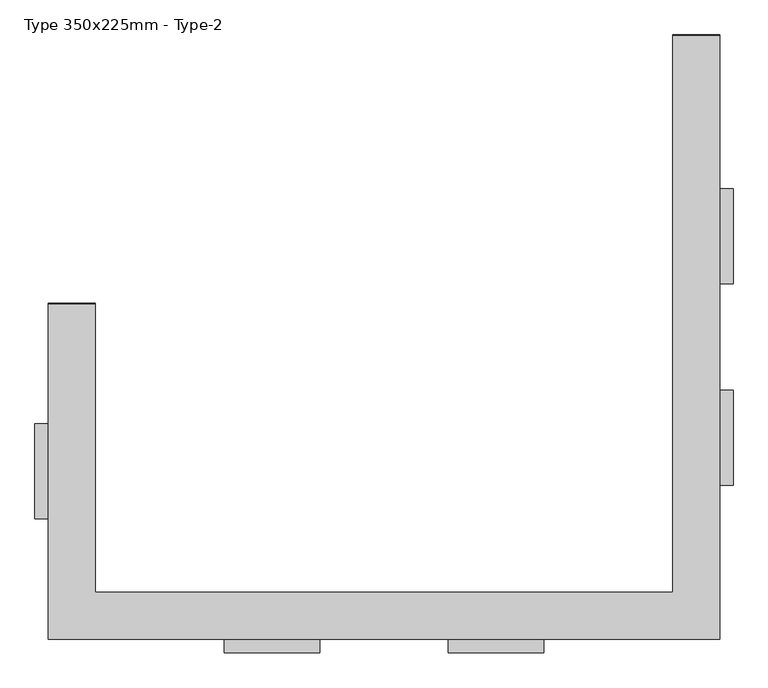
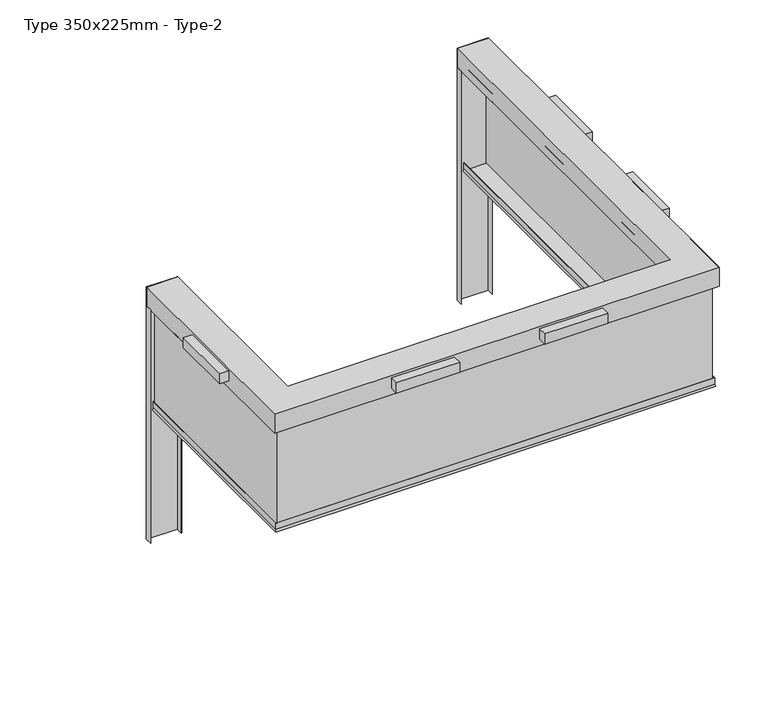
"""IFC4 building model written with IfcOpenShell, lengths in millimetres: alarm geometry, Type 350x225mm - Type-2."""

from ifc_helpers import new_model, si_unit, frame, origin, origin_with_axes, place, context, project, spatial, polyline, outline, extrude, faceted_brep, source, transform, mapped, element, save


def type_350x225mm_type_2_8abff354(model_context):
    return source(origin(), model_context, "Body", "SolidModel", [
        extrude(outline(polyline([(2500.0, 3355.0), (2600.0, 3355.0), (2600.0, 2645.0), (2500.0, 2645.0), (2500.0, 3355.0)])), frame((0.0, 0.0, 80.0), z_axis=(0.0, 0.0, 1.0), x_axis=(1.0, 0.0, 0.0)), (0.0, 0.0, 1.0), 120.0),
        extrude(outline(polyline([(2500.0, 1855.0), (2600.0, 1855.0), (2600.0, 1145.0), (2500.0, 1145.0), (2500.0, 1855.0)])), frame((0.0, 0.0, 80.0), z_axis=(0.0, 0.0, 1.0), x_axis=(1.0, 0.0, 0.0)), (0.0, 0.0, 1.0), 120.0),
        extrude(outline(polyline([(-1188.3333333, 0.0), (-478.3333333, 0.0), (-478.3333333, -100.0), (-1188.3333333, -100.0), (-1188.3333333, 0.0)])), frame((0.0, 0.0, 80.0), z_axis=(0.0, 0.0, 1.0), x_axis=(1.0, 0.0, 0.0)), (0.0, 0.0, 1.0), 120.0),
        extrude(outline(polyline([(478.3333333, 0.0), (1188.3333333, 0.0), (1188.3333333, -100.0), (478.3333333, -100.0), (478.3333333, 0.0)])), frame((0.0, 0.0, 80.0), z_axis=(0.0, 0.0, 1.0), x_axis=(1.0, 0.0, 0.0)), (0.0, 0.0, 1.0), 120.0),
        extrude(outline(polyline([(-2500.0, 1605.0), (-2500.0, 895.0), (-2600.0, 895.0), (-2600.0, 1605.0), (-2500.0, 1605.0)])), frame((0.0, 0.0, 80.0), z_axis=(0.0, 0.0, 1.0), x_axis=(1.0, 0.0, 0.0)), (0.0, 0.0, 1.0), 120.0),
        extrude(outline(polyline([(2150.0, 4500.0), (2500.0, 4500.0), (2500.0, 4497.0), (2150.0, 4497.0), (2150.0, 4500.0)])), origin_with_axes(), (0.0, 0.0, 1.0), 225.0),
        extrude(outline(polyline([(2150.0, 4500.0), (2500.0, 4500.0), (2500.0, 4420.0), (2497.0, 4420.0), (2497.0, 4497.0), (2153.0, 4497.0), (2153.0, 4420.0), (2150.0, 4420.0), (2150.0, 4500.0)])), frame((0.0, 0.0, -2775.0), z_axis=(0.0, 0.0, 1.0), x_axis=(1.0, 0.0, 0.0)), (0.0, 0.0, 1.0), 2775.0),
        extrude(outline(polyline([(-2150.0, 2500.0), (-2150.0, 2497.0), (-2500.0, 2497.0), (-2500.0, 2500.0), (-2150.0, 2500.0)])), origin_with_axes(), (0.0, 0.0, 1.0), 225.0),
        extrude(outline(polyline([(-2150.0, 2500.0), (-2150.0, 2420.0), (-2153.0, 2420.0), (-2153.0, 2497.0), (-2497.0, 2497.0), (-2497.0, 2420.0), (-2500.0, 2420.0), (-2500.0, 2500.0), (-2150.0, 2500.0)])), frame((0.0, 0.0, -2775.0), z_axis=(0.0, 0.0, 1.0), x_axis=(1.0, 0.0, 0.0)), (0.0, 0.0, 1.0), 2775.0),
        extrude(outline(polyline([(2430.0, 4420.0), (2450.0, 4420.0), (2450.0, 50.0), (-2450.0, 50.0), (-2450.0, 2420.0), (-2430.0, 2420.0), (-2430.0, 70.0), (2430.0, 70.0), (2430.0, 4420.0)])), frame((0.0, 0.0, -1190.0), z_axis=(0.0, 0.0, 1.0), x_axis=(1.0, 0.0, 0.0)), (0.0, 0.0, 1.0), 1190.0),
        faceted_brep([(2475.0, 4420.0, -1200.0), (2175.0, 4420.0, -1200.0), (2180.0, 4420.0, -1171.6435909), (2180.0, 4420.0, -1100.0), (2183.0, 4420.0, -1100.0), (2183.0, 4420.0, -1197.0), (2467.0, 4420.0, -1197.0), (2467.0, 4420.0, -1100.0), (2470.0, 4420.0, -1100.0), (2470.0, 4420.0, -1171.6435909), (2475.0, 25.0, -1200.0), (-2475.0, 25.0, -1200.0), (-2475.0, 2420.0, -1200.0), (-2175.0, 2420.0, -1200.0), (-2175.0, 325.0, -1200.0), (2175.0, 325.0, -1200.0), (2180.0, 320.0, -1171.6435909), (2180.0, 320.0, -1100.0), (-2180.0, 320.0, -1100.0), (-2180.0, 2420.0, -1100.0), (-2183.0, 2420.0, -1100.0), (-2183.0, 317.0, -1100.0), (2183.0, 317.0, -1100.0), (2183.0, 317.0, -1197.0), (-2183.0, 317.0, -1197.0), (-2183.0, 2420.0, -1197.0), (-2467.0, 2420.0, -1197.0), (-2467.0, 33.0, -1197.0), (2467.0, 33.0, -1197.0), (2467.0, 33.0, -1100.0), (-2467.0, 33.0, -1100.0), (-2467.0, 2420.0, -1100.0), (-2470.0, 2420.0, -1100.0), (-2470.0, 30.0, -1100.0), (2470.0, 30.0, -1100.0), (2470.0, 30.0, -1171.6435909), (-2180.0, 320.0, -1171.6435909), (-2470.0, 30.0, -1171.6435909), (-2470.0, 2420.0, -1171.6435909), (-2180.0, 2420.0, -1171.6435909)], [[[0, 1, 2, 3, 4, 5, 6, 7, 8, 9]], [[1, 0, 10, 11, 12, 13, 14, 15]], [[2, 1, 15, 16]], [[3, 2, 16, 17]], [[4, 3, 17, 18, 19, 20, 21, 22]], [[5, 4, 22, 23]], [[6, 5, 23, 24, 25, 26, 27, 28]], [[7, 6, 28, 29]], [[8, 7, 29, 30, 31, 32, 33, 34]], [[9, 8, 34, 35]], [[0, 9, 35, 10]], [[16, 15, 14, 36]], [[17, 16, 36, 18]], [[23, 22, 21, 24]], [[29, 28, 27, 30]], [[35, 34, 33, 37]], [[10, 35, 37, 11]], [[12, 38, 32, 31, 26, 25, 20, 19, 39, 13]], [[36, 14, 13, 39]], [[18, 36, 39, 19]], [[24, 21, 20, 25]], [[30, 27, 26, 31]], [[37, 33, 32, 38]], [[11, 37, 38, 12]]]),
        faceted_brep([(-2500.0, 2500.0, 225.0), (-2150.0, 2500.0, 225.0), (-2150.0, 2500.0, 0.0), (-2172.0, 2500.0, 0.0), (-2172.0, 2500.0, 22.0), (-2169.0, 2500.0, 22.0), (-2169.0, 2500.0, 3.0), (-2153.0, 2500.0, 3.0), (-2153.0, 2500.0, 97.0), (-2180.0, 2500.0, 97.0), (-2180.0, 2500.0, 100.0), (-2153.0, 2500.0, 100.0), (-2153.0, 2500.0, 222.0), (-2497.0, 2500.0, 222.0), (-2497.0, 2500.0, 100.0), (-2470.0, 2500.0, 100.0), (-2470.0, 2500.0, 97.0), (-2497.0, 2500.0, 97.0), (-2497.0, 2500.0, 3.0), (-2481.0, 2500.0, 3.0), (-2481.0, 2500.0, 22.0), (-2478.0, 2500.0, 22.0), (-2478.0, 2500.0, 0.0), (-2500.0, 2500.0, 0.0), (-2500.0, 0.0, 225.0), (2500.0, 0.0, 225.0), (2500.0, 4500.0, 225.0), (2150.0, 4500.0, 225.0), (2150.0, 350.0, 225.0), (-2150.0, 350.0, 225.0), (-2150.0, 350.0, 0.0), (2150.0, 350.0, 0.0), (2150.0, 4500.0, 0.0), (2172.0, 4500.0, 0.0), (2172.0, 328.0, 0.0), (-2172.0, 328.0, 0.0), (-2172.0, 328.0, 22.0), (2172.0, 328.0, 22.0), (2172.0, 4500.0, 22.0), (2169.0, 4500.0, 22.0), (2169.0, 331.0, 22.0), (-2169.0, 331.0, 22.0), (-2169.0, 331.0, 3.0), (2169.0, 331.0, 3.0), (2169.0, 4500.0, 3.0), (2153.0, 4500.0, 3.0), (2153.0, 347.0, 3.0), (-2153.0, 347.0, 3.0), (-2153.0, 347.0, 97.0), (2153.0, 347.0, 97.0), (2153.0, 4500.0, 97.0), (2180.0, 4500.0, 97.0), (2180.0, 320.0, 97.0), (-2180.0, 320.0, 97.0), (-2180.0, 320.0, 100.0), (2180.0, 320.0, 100.0), (2180.0, 4500.0, 100.0), (2153.0, 4500.0, 100.0), (2153.0, 347.0, 100.0), (-2153.0, 347.0, 100.0), (-2153.0, 347.0, 222.0), (2153.0, 347.0, 222.0), (2153.0, 4500.0, 222.0), (2497.0, 4500.0, 222.0), (2497.0, 3.0, 222.0), (-2497.0, 3.0, 222.0), (-2497.0, 3.0, 100.0), (2497.0, 3.0, 100.0), (2497.0, 4500.0, 100.0), (2470.0, 4500.0, 100.0), (2470.0, 30.0, 100.0), (-2470.0, 30.0, 100.0), (-2470.0, 30.0, 97.0), (2470.0, 30.0, 97.0), (2470.0, 4500.0, 97.0), (2497.0, 4500.0, 97.0), (2497.0, 3.0, 97.0), (-2497.0, 3.0, 97.0), (-2497.0, 3.0, 3.0), (2497.0, 3.0, 3.0), (2497.0, 4500.0, 3.0), (2481.0, 4500.0, 3.0), (2481.0, 19.0, 3.0), (-2481.0, 19.0, 3.0), (-2481.0, 19.0, 22.0), (2481.0, 19.0, 22.0), (2481.0, 4500.0, 22.0), (2478.0, 4500.0, 22.0), (2478.0, 22.0, 22.0), (-2478.0, 22.0, 22.0), (-2478.0, 22.0, 0.0), (2478.0, 22.0, 0.0), (2478.0, 4500.0, 0.0), (2500.0, 4500.0, 0.0), (2500.0, 0.0, 0.0), (-2500.0, 0.0, 0.0)], [[[0, 1, 2, 3, 4, 5, 6, 7, 8, 9, 10, 11, 12, 13, 14, 15, 16, 17, 18, 19, 20, 21, 22, 23]], [[1, 0, 24, 25, 26, 27, 28, 29]], [[2, 1, 29, 30]], [[3, 2, 30, 31, 32, 33, 34, 35]], [[4, 3, 35, 36]], [[5, 4, 36, 37, 38, 39, 40, 41]], [[6, 5, 41, 42]], [[7, 6, 42, 43, 44, 45, 46, 47]], [[8, 7, 47, 48]], [[9, 8, 48, 49, 50, 51, 52, 53]], [[10, 9, 53, 54]], [[11, 10, 54, 55, 56, 57, 58, 59]], [[12, 11, 59, 60]], [[13, 12, 60, 61, 62, 63, 64, 65]], [[14, 13, 65, 66]], [[15, 14, 66, 67, 68, 69, 70, 71]], [[16, 15, 71, 72]], [[17, 16, 72, 73, 74, 75, 76, 77]], [[18, 17, 77, 78]], [[19, 18, 78, 79, 80, 81, 82, 83]], [[20, 19, 83, 84]], [[21, 20, 84, 85, 86, 87, 88, 89]], [[22, 21, 89, 90]], [[23, 22, 90, 91, 92, 93, 94, 95]], [[0, 23, 95, 24]], [[30, 29, 28, 31]], [[36, 35, 34, 37]], [[42, 41, 40, 43]], [[48, 47, 46, 49]], [[54, 53, 52, 55]], [[60, 59, 58, 61]], [[66, 65, 64, 67]], [[72, 71, 70, 73]], [[78, 77, 76, 79]], [[84, 83, 82, 85]], [[90, 89, 88, 91]], [[24, 95, 94, 25]], [[26, 93, 92, 87, 86, 81, 80, 75, 74, 69, 68, 63, 62, 57, 56, 51, 50, 45, 44, 39, 38, 33, 32, 27]], [[31, 28, 27, 32]], [[37, 34, 33, 38]], [[43, 40, 39, 44]], [[49, 46, 45, 50]], [[55, 52, 51, 56]], [[61, 58, 57, 62]], [[67, 64, 63, 68]], [[73, 70, 69, 74]], [[79, 76, 75, 80]], [[85, 82, 81, 86]], [[91, 88, 87, 92]], [[25, 94, 93, 26]]]),
    ])


if __name__ == "__main__":
    model = new_model("IFC4")
    model_context = context("Model", 3, world=origin())
    ifc_project = project(units=[si_unit("LENGTHUNIT", "METRE", prefix="MILLI")], contexts=[model_context])
    site = spatial("IfcSite", under=ifc_project)
    building = spatial("IfcBuilding", under=site)
    placement = place(None, origin())
    type_350x225mm_type_2_shape = type_350x225mm_type_2_8abff354(model_context)
    element("IfcAlarm", 1, ObjectType="Type 350x225mm - Type-2", at=placement, inside=building, context=model_context, shape_type="MappedRepresentation", body=[
        mapped(type_350x225mm_type_2_shape, transform((0.0, 0.0, 0.0), x_axis=(1.0, 0.0, 0.0), y_axis=(0.0, 1.0, 0.0), z_axis=(0.0, 0.0, 1.0))),
    ])
    save(model, "model.ifc")
